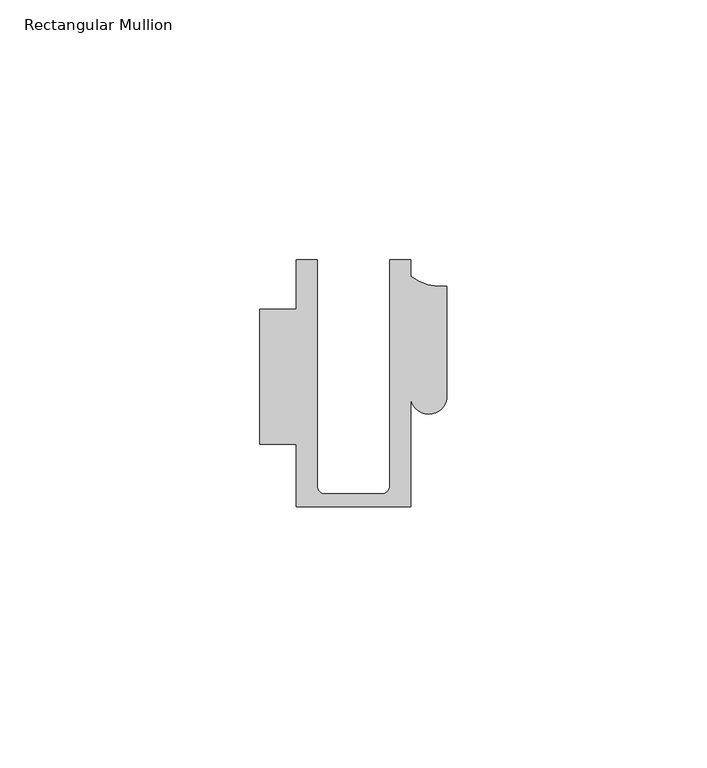
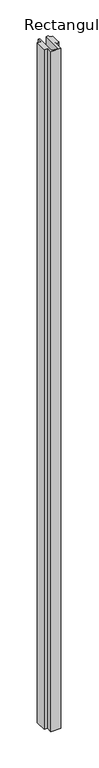
"""IFC4 building model written with IfcOpenShell, lengths in millimetres: member geometry, Rectangular Mullion."""

from ifc_helpers import new_model, si_unit, frame, origin, place, context, project, spatial, polyline, circle_curve, source, transform, mapped, element, save
from ifc_brep_helpers import plane_surface, cylinder_surface, revolved_surface, advanced_brep


def rectangular_mullion_f29d1089(model_context):
    return source(origin(), model_context, "Body", "AdvancedBrep", [
        advanced_brep(
        [(-11.0000151, -27.0, 0.0), (11.001071, -27.0, 0.0), (11.001071, -5.5848769, 0.0), (17.9999091, -5.6750512, 0.0), (17.9999542, 15.3797475, 0.0), (11.0000151, 17.3125212, 0.0), (11.0000151, 20.5, 0.0), (6.9999849, 20.5, 0.0), (6.9999849, -22.9973451, 0.0), (5.4999872, -24.5, 0.0), (-5.4999873, -24.5, 0.0), (-6.9999853, -22.9976091, 0.0), (-6.9999853, 20.5, 0.0), (-10.9999994, 20.5, 0.0), (-10.9999994, 10.9797475, 0.0), (-17.9999542, 10.9797475, 0.0), (-17.9999542, -15.0006281, 0.0), (-11.0000151, -15.0006281, 0.0), (-11.0000151, -27.0, -1568.0001218), (-11.0000151, -15.0006281, -1568.0001218), (-17.9999542, -15.0006281, -1568.0001218), (-17.9999542, 10.9797475, -1568.0001218), (-10.9999994, 10.9797475, -1568.0001218), (-10.9999994, 20.5, -1568.0001218), (-6.9999853, 20.5, -1568.0001218), (-6.9999853, -22.9976091, -1568.0001218), (-5.4999873, -24.5, -1568.0001218), (5.4999872, -24.5, -1568.0001218), (6.9999849, -22.9973451, -1568.0001218), (6.9999849, 20.5, -1568.0001218), (11.0000151, 20.5, -1568.0001218), (11.0000151, 17.3125212, -1568.0001218), (17.9999542, 15.3797475, -1568.0001218), (17.9999542, -5.684606, -1568.0001218), (11.001071, -5.5848769, -1568.0001218), (11.001071, -27.0, -1568.0001218)],
        [
            (0, 1),
            (1, 2),
            (2, 3, circle_curve(frame((14.4999091, -5.6750512, 0.0), z_axis=(0.0, 0.0, 1.0), x_axis=(-0.9999826028573957, 0.005898642432633649, 0.0)), 3.5)),
            (3, 4),
            (4, 5, circle_curve(frame((17.109817, 25.7981812, 0.0), z_axis=(0.0, 0.0, -1.0), x_axis=(0.0, -1.0, 0.0)), 10.4563907)),
            (5, 6),
            (6, 7),
            (7, 8),
            (8, 9, circle_curve(frame((5.4999872, -23.0, 0.0), z_axis=(0.0, 0.0, -1.0), x_axis=(0.9999999999999986, 5.463622857820516e-08, 0.0)), 1.5)),
            (9, 10),
            (10, 11, circle_curve(frame((-5.4999873, -23.0, 0.0), z_axis=(0.0, 0.0, -1.0), x_axis=(2.7320010112268853e-08, -0.9999999999999997, 0.0)), 1.5)),
            (11, 12),
            (12, 13),
            (13, 14),
            (14, 15),
            (15, 16),
            (16, 17),
            (17, 0),
            (18, 19),
            (19, 20),
            (20, 21),
            (21, 22),
            (22, 23),
            (23, 24),
            (24, 25),
            (25, 26, circle_curve(frame((-5.4999873, -23.0, -1568.0001218), z_axis=(0.0, 0.0, 1.0), x_axis=(2.7320010112268853e-08, -0.9999999999999997, 0.0)), 1.5)),
            (26, 27),
            (27, 28, circle_curve(frame((5.4999872, -23.0, -1568.0001218), z_axis=(0.0, 0.0, 1.0), x_axis=(0.9999999999999986, 5.463622857820516e-08, 0.0)), 1.5)),
            (28, 29),
            (29, 30),
            (30, 31),
            (31, 32, circle_curve(frame((17.109817, 25.7981812, -1568.0001218), z_axis=(0.0, 0.0, 1.0), x_axis=(0.0, -1.0, 0.0)), 10.4563907)),
            (32, 33),
            (33, 34, circle_curve(frame((14.4999091, -5.6750512, -1568.0001218), z_axis=(0.0, 0.0, -1.0), x_axis=(-0.9999826028573957, 0.005898642432633649, 0.0)), 3.5)),
            (34, 35),
            (35, 18),
            (0, 18),
            (35, 1),
            (34, 2),
            (33, 3),
            (32, 4),
            (31, 5),
            (30, 6),
            (29, 7),
            (28, 8),
            (27, 9),
            (26, 10),
            (25, 11),
            (24, 12),
            (23, 13),
            (22, 14),
            (15, 21),
            (20, 16),
            (19, 17),
        ],
        [
            plane_surface(frame((0.0, -29.1551636, 0.0), z_axis=(0.0, 0.0, 1.0), x_axis=(-1.0, 0.0, 0.0))),
            plane_surface(frame((0.0, -29.1551636, -1568.0001218), z_axis=(0.0, 0.0, -1.0), x_axis=(-1.0, 0.0, 0.0))),
            plane_surface(frame((-11.0000151, -27.0, 0.0), z_axis=(0.0, -1.0, 0.0), x_axis=(0.0, 0.0, -1.0))),
            plane_surface(frame((11.001071, -27.0, 0.0), z_axis=(1.0, 0.0, 0.0), x_axis=(0.0, 0.0, -1.0))),
            cylinder_surface(frame((14.4999091, -5.6750512, 0.0), z_axis=(0.0, 0.0, 1.0), x_axis=(-0.9999826028573957, 0.005898642432633649, 0.0)), 3.5),
            plane_surface(frame((17.9999542, -5.684606, 0.0), z_axis=(1.0, 0.0, 0.0), x_axis=(0.0, 0.0, -1.0))),
            revolved_surface(polyline([(17.109817, 15.341790499999998, -1568.0001218), (17.109817, 15.341790499999998, 0.0)]), (17.109817, 25.7981812, 0.0), (0.0, 0.0, -1.0)),
            plane_surface(frame((11.0000151, 17.3125212, 0.0), z_axis=(1.0, 0.0, 0.0), x_axis=(0.0, 0.0, -1.0))),
            plane_surface(frame((11.0000151, 20.5, 0.0), z_axis=(0.0, 1.0, 0.0), x_axis=(0.0, 0.0, -1.0))),
            plane_surface(frame((6.9999849, 20.5, 0.0), z_axis=(-1.0, 0.0, 0.0), x_axis=(0.0, 0.0, -1.0))),
            revolved_surface(polyline([(6.999987199999998, -22.999999918045656, -1568.0001218), (6.999987199999998, -22.999999918045656, 0.0)]), (5.4999872, -23.0, 0.0), (0.0, 0.0, -1.0)),
            plane_surface(frame((5.4999872, -24.5, 0.0), z_axis=(0.0, 1.0, 0.0), x_axis=(0.0, 0.0, -1.0))),
            revolved_surface(polyline([(-5.499987259019985, -24.5, -1568.0001218), (-5.499987259019985, -24.5, 0.0)]), (-5.4999873, -23.0, 0.0), (0.0, 0.0, -1.0)),
            plane_surface(frame((-6.9999853, -22.9976091, 0.0), z_axis=(1.0, 0.0, 0.0), x_axis=(0.0, 0.0, -1.0))),
            plane_surface(frame((-6.9999853, 20.5, 0.0), z_axis=(0.0, 1.0, 0.0), x_axis=(0.0, 0.0, -1.0))),
            plane_surface(frame((-10.9999994, 20.5, 0.0), z_axis=(-1.0, 0.0, 0.0), x_axis=(0.0, 0.0, -1.0))),
            plane_surface(frame((-17.9999542, 10.9797475, 0.0), z_axis=(-1.0, 0.0, 0.0), x_axis=(0.0, 0.0, -1.0))),
            plane_surface(frame((-17.9999542, -15.0006281, 0.0), z_axis=(0.0, -1.0, 0.0), x_axis=(0.0, 0.0, -1.0))),
            plane_surface(frame((-11.0000151, -15.0006281, 0.0), z_axis=(-1.0, 0.0, 0.0), x_axis=(0.0, 0.0, -1.0))),
            plane_surface(frame((-10.9999994, 10.9797475, 0.0), z_axis=(0.0, 1.0, 0.0), x_axis=(0.0, 0.0, -1.0))),
        ],
        [
            (0, [[1, 2, 3, 4, 5, 6, 7, 8, 9, 10, 11, 12, 13, 14, 15, 16, 17, 18]]),
            (1, [[19, 20, 21, 22, 23, 24, 25, 26, 27, 28, 29, 30, 31, 32, 33, 34, 35, 36]]),
            (2, [[-1, 37, -36, 38]]),
            (3, [[-2, -38, -35, 39]]),
            (4, [[-3, -39, -34, 40]]),
            (5, [[-4, -40, -33, 41]]),
            (6, [[-5, -41, -32, 42]]),
            (7, [[-6, -42, -31, 43]]),
            (8, [[-7, -43, -30, 44]]),
            (9, [[-8, -44, -29, 45]]),
            (10, [[-9, -45, -28, 46]]),
            (11, [[-10, -46, -27, 47]]),
            (12, [[-11, -47, -26, 48]]),
            (13, [[-12, -48, -25, 49]]),
            (14, [[-13, -49, -24, 50]]),
            (15, [[-14, -50, -23, 51]]),
            (16, [[-16, 52, -21, 53]]),
            (17, [[-17, -53, -20, 54]]),
            (18, [[-18, -54, -19, -37]]),
            (19, [[-15, -51, -22, -52]]),
        ],
    ),
    ])


if __name__ == "__main__":
    model = new_model("IFC4")
    model_context = context("Model", 3, world=origin())
    ifc_project = project(units=[si_unit("LENGTHUNIT", "METRE", prefix="MILLI")], contexts=[model_context])
    site = spatial("IfcSite", under=ifc_project)
    building = spatial("IfcBuilding", under=site)
    placement = place(None, origin())
    rectangular_mullion_shape = rectangular_mullion_f29d1089(model_context)
    element("IfcMember", 1, ObjectType="Rectangular Mullion", at=placement, inside=building, context=model_context, shape_type="MappedRepresentation", body=[
        mapped(rectangular_mullion_shape, transform((0.0, 0.0, 0.0), x_axis=(1.0, 0.0, 0.0), y_axis=(0.0, 1.0, 0.0), z_axis=(0.0, 0.0, 1.0))),
    ])
    save(model, "model.ifc")
